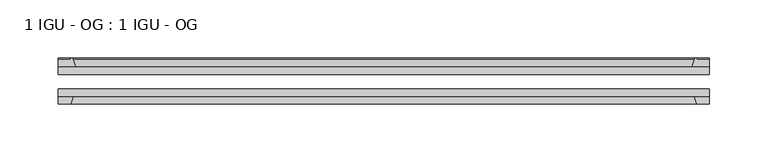
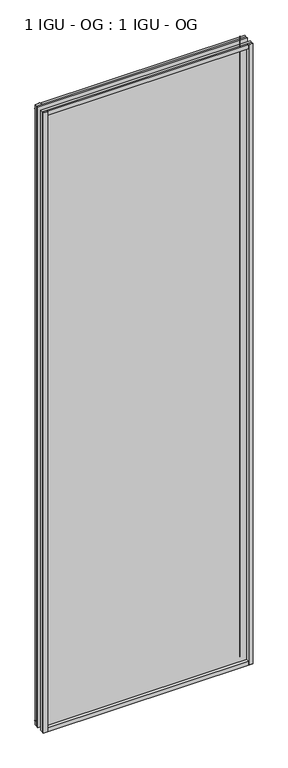
"""IFC4 building model written with IfcOpenShell, lengths in millimetres: plate geometry, 1 IGU - OG : 1 IGU - OG."""

from ifc_helpers import new_model, si_unit, point, frame, frame_2d, origin, place, context, project, spatial, polyline, circle_curve, trimmed, segment, composite_curve, outline, extrude, source, transform, mapped, element, save


def plate_1_igu_og_1_igu_og_2966910e(model_context):
    return source(origin(), model_context, "Body", "SweptSolid", [
        extrude(outline(polyline([(300.0375, -31.75), (300.0375, -38.1), (-261.9375, -38.1), (-261.9375, -31.75), (300.0375, -31.75)])), frame((0.0, 0.0, -11.1125), z_axis=(0.0, 0.0, 1.0), x_axis=(1.0, 0.0, 0.0)), (0.0, 0.0, 1.0), 1755.775),
        extrude(outline(polyline([(-261.9375, -12.7), (300.0375, -12.7), (300.0375, -19.05), (-261.9375, -19.05), (-261.9375, -12.7)])), frame((0.0, 0.0, -11.1125), z_axis=(0.0, 0.0, 1.0), x_axis=(1.0, 0.0, 0.0)), (0.0, 0.0, 1.0), 1755.775),
        extrude(outline(composite_curve([segment(polyline([(-246.6017091, -12.7), (-261.9375, -12.7), (-261.9375, -6.35), (-250.825, -6.35), (-250.825, -4.7751661), (-249.895586, -4.7751661)]), True, "CONTINUOUS"), segment(trimmed(circle_curve(frame_2d((-249.895586, -5.5371661)), 0.762), [point((-249.895586, -4.7751661))], [point((-249.1533761, -5.364631))], False, "CARTESIAN"), True, "CONTINUOUS"), segment(trimmed(circle_curve(frame_2d((-213.5241579, 2.9177851)), 36.5792237), [point((-249.1533761, -5.364631))], [point((-246.6017091, -12.7))], True, "CARTESIAN"), True, "CONTINUOUS")], self_intersect=False)), frame((0.0, 0.0, -11.1125), z_axis=(0.0, 0.0, 1.0), x_axis=(1.0, 0.0, 0.0)), (0.0, 0.0, 1.0), 1755.775),
        extrude(outline(polyline([(-261.9375, -38.1), (-248.7197229, -38.1), (-250.825, -44.45), (-261.9375, -44.45), (-261.9375, -38.1)])), frame((0.0, 0.0, -11.1125), z_axis=(0.0, 0.0, 1.0), x_axis=(1.0, 0.0, 0.0)), (0.0, 0.0, 1.0), 1755.775),
        extrude(outline(composite_curve([segment(trimmed(circle_curve(frame_2d((287.995586, -5.5371661)), 0.762), [point((287.2533761, -5.364631))], [point((287.995586, -4.7751661))], False, "CARTESIAN"), True, "CONTINUOUS"), segment(polyline([(287.995586, -4.7751661), (288.925, -4.7751661), (288.925, -6.35), (300.0375, -6.35), (300.0375, -12.7), (284.7017091, -12.7)]), True, "CONTINUOUS"), segment(trimmed(circle_curve(frame_2d((251.6241579, 2.9177851)), 36.5792237), [point((284.7017091, -12.7))], [point((287.2533761, -5.364631))], True, "CARTESIAN"), True, "CONTINUOUS")], self_intersect=False)), frame((0.0, 0.0, -11.1125), z_axis=(0.0, 0.0, 1.0), x_axis=(1.0, 0.0, 0.0)), (0.0, 0.0, 1.0), 1755.775),
        extrude(outline(polyline([(286.8197229, -38.1), (300.0375, -38.1), (300.0375, -44.45), (288.925, -44.45), (286.8197229, -38.1)])), frame((0.0, 0.0, -11.1125), z_axis=(0.0, 0.0, 1.0), x_axis=(1.0, 0.0, 0.0)), (0.0, 0.0, 1.0), 1755.775),
        extrude(outline(composite_curve([segment(polyline([(-12.7, -11.1125), (-12.7, 4.2232909)]), True, "CONTINUOUS"), segment(trimmed(circle_curve(frame_2d((2.9177851, 37.3008421)), 36.5792237), [point((-12.7, 4.2232909))], [point((-5.364631, 1.6716239))], True, "CARTESIAN"), True, "CONTINUOUS"), segment(trimmed(circle_curve(frame_2d((-5.5371661, 0.929414)), 0.762), [point((-5.364631, 1.6716239))], [point((-4.7751661, 0.929414))], False, "CARTESIAN"), True, "CONTINUOUS"), segment(polyline([(-4.7751661, 0.929414), (-4.7751661, 0.0), (-6.35, 0.0), (-6.35, -11.1125), (-12.7, -11.1125)]), True, "CONTINUOUS")], self_intersect=False)), frame((-261.9375, 0.0, 0.0), z_axis=(1.0, 0.0, 0.0), x_axis=(0.0, 1.0, 0.0)), (0.0, 0.0, 1.0), 561.975),
        extrude(outline(polyline([(-38.1, 2.1052771), (-38.1, -11.1125), (-44.45, -11.1125), (-44.45, 0.0), (-38.1, 2.1052771)])), frame((-261.9375, 0.0, 0.0), z_axis=(1.0, 0.0, 0.0), x_axis=(0.0, 1.0, 0.0)), (0.0, 0.0, 1.0), 561.975),
        extrude(outline(composite_curve([segment(trimmed(circle_curve(frame_2d((2.9177851, 1696.2491579)), 36.5792237), [point((-5.364631, 1731.8783761))], [point((-12.7, 1729.3267091))], True, "CARTESIAN"), True, "CONTINUOUS"), segment(polyline([(-12.7, 1729.3267091), (-12.7, 1744.6625), (-6.35, 1744.6625), (-6.35, 1733.55), (-4.7751661, 1733.55), (-4.7751661, 1732.620586)]), True, "CONTINUOUS"), segment(trimmed(circle_curve(frame_2d((-5.5371661, 1732.620586)), 0.762), [point((-4.7751661, 1732.620586))], [point((-5.364631, 1731.8783761))], False, "CARTESIAN"), True, "CONTINUOUS")], self_intersect=False)), frame((-261.9375, 0.0, 0.0), z_axis=(1.0, 0.0, 0.0), x_axis=(0.0, 1.0, 0.0)), (0.0, 0.0, 1.0), 561.975),
        extrude(outline(polyline([(-38.1, 1744.6625), (-38.1, 1731.4447229), (-44.45, 1733.55), (-44.45, 1744.6625), (-38.1, 1744.6625)])), frame((-261.9375, 0.0, 0.0), z_axis=(1.0, 0.0, 0.0), x_axis=(0.0, 1.0, 0.0)), (0.0, 0.0, 1.0), 561.975),
    ])


if __name__ == "__main__":
    model = new_model("IFC4")
    model_context = context("Model", 3, world=origin())
    ifc_project = project(units=[si_unit("LENGTHUNIT", "METRE", prefix="MILLI")], contexts=[model_context])
    site = spatial("IfcSite", under=ifc_project)
    building = spatial("IfcBuilding", under=site)
    placement = place(None, origin())
    plate_1_igu_og_1_igu_og_shape = plate_1_igu_og_1_igu_og_2966910e(model_context)
    element("IfcPlate", 1, ObjectType="1 IGU - OG : 1 IGU - OG", at=placement, inside=building, context=model_context, shape_type="MappedRepresentation", body=[
        mapped(plate_1_igu_og_1_igu_og_shape, transform((0.0, 0.0, 0.0), x_axis=(1.0, 0.0, 0.0), y_axis=(0.0, 1.0, 0.0), z_axis=(0.0, 0.0, 1.0))),
    ])
    save(model, "model.ifc")
